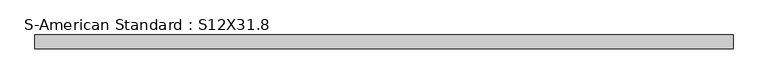
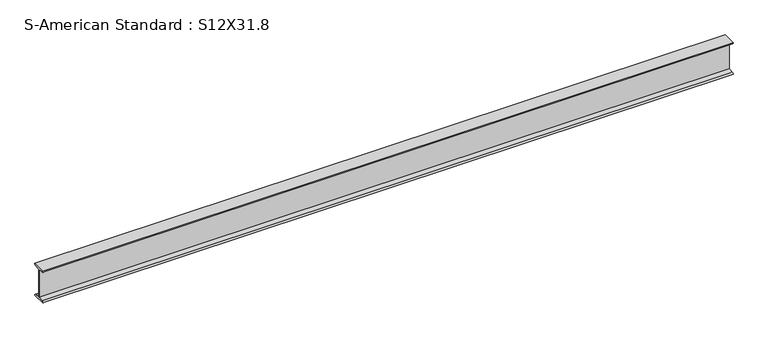
"""IFC4 building model written with IfcOpenShell, lengths in millimetres: beam geometry, S-American Standard : S12X31.8."""

import ifcopenshell
import ifcopenshell.guid

model = None  # the IFC model being written
_history = None  # IfcOwnerHistory: only IFC2X3 demands one
_inside = {}  # id of a spatial element -> (the spatial element, [elements in it])
_under = {}  # id of a project, library or spatial element -> (it, [spatial elements below it])
_declared = {}  # id of a project -> (the project, [libraries it declares])
_typed = {}  # id of a type object -> (the type object, [elements of that type])
_made_of = {}  # id of a material, layer set ... -> (it, [elements and type objects made of it])


def new_model(schema):
    """Start an empty IFC model of exactly this schema.

    Asked for "IFC4X3", IfcOpenShell would pick the latest addendum, in which some entities
    have other attributes; the version numbers below select the first issue.
    IFC2X3 requires an IfcOwnerHistory on every rooted entity: one is made here for all.
    """
    global model, _history
    if schema == "IFC4X3":
        model = ifcopenshell.file(schema_version=(4, 3, 0, 0))
    else:
        model = ifcopenshell.file(schema=schema)
    _inside.clear()
    _under.clear()
    _declared.clear()
    _typed.clear()
    _made_of.clear()
    _history = None
    if model.schema == "IFC2X3":
        org = make("IfcOrganization", Name="unknown")
        user = make(
            "IfcPersonAndOrganization",
            ThePerson=make("IfcPerson", FamilyName="unknown"),
            TheOrganization=org,
        )
        app = make(
            "IfcApplication",
            ApplicationDeveloper=org,
            Version="unknown",
            ApplicationFullName="unknown",
            ApplicationIdentifier="unknown",
        )
        _history = make(
            "IfcOwnerHistory",
            OwningUser=user,
            OwningApplication=app,
            ChangeAction="ADDED",
            CreationDate=0,
        )
    return model


def make(cls, **values):
    """One entity of the class cls with the attributes given. An attribute that is None is left unset."""
    return model.create_entity(
        cls, **{name: value for name, value in values.items() if value is not None}
    )


def rooted(cls, **values):
    """An entity with a GlobalId (a new one), such as an element, a storey or a relation."""
    return make(cls, GlobalId=ifcopenshell.guid.new(), OwnerHistory=_history, **values)


def si_unit(unit_type, name, prefix=None):
    """IfcSIUnit, for example si_unit("LENGTHUNIT", "METRE", prefix="MILLI")."""
    return make("IfcSIUnit", UnitType=unit_type, Prefix=prefix, Name=name)


def assignment(units):
    """IfcUnitAssignment: the units of a project."""
    return None if units is None else make("IfcUnitAssignment", Units=units)


def point(xyz):
    """IfcCartesianPoint."""
    return None if xyz is None else make("IfcCartesianPoint", Coordinates=xyz)


def direction(xyz):
    """IfcDirection."""
    return None if xyz is None else make("IfcDirection", DirectionRatios=xyz)


def frame(location, z_axis=None, x_axis=None):
    """IfcAxis2Placement3D, a coordinate frame: its origin and axes. An axis left out is left unset."""
    return make(
        "IfcAxis2Placement3D",
        Location=point(location),
        Axis=direction(z_axis),
        RefDirection=direction(x_axis),
    )


def frame_2d(location, x_axis=None):
    """IfcAxis2Placement2D, a coordinate frame in the plane: its origin and x axis."""
    return make(
        "IfcAxis2Placement2D", Location=point(location), RefDirection=direction(x_axis)
    )


def origin():
    """The frame at (0, 0, 0) with its axes left unset."""
    return frame((0.0, 0.0, 0.0))


def place(relative_to, where):
    """IfcLocalPlacement: puts the frame where relative to a parent placement (None: the world)."""
    return make(
        "IfcLocalPlacement", PlacementRelTo=relative_to, RelativePlacement=where
    )


def context(
    kind, dimensions, precision=None, world=None, true_north=None, identifier=None
):
    """IfcGeometricRepresentationContext, for example the 3D "Model" context."""
    return make(
        "IfcGeometricRepresentationContext",
        ContextIdentifier=identifier,
        ContextType=kind,
        CoordinateSpaceDimension=dimensions,
        Precision=precision,
        WorldCoordinateSystem=world,
        TrueNorth=true_north,
    )


def project(units=None, contexts=None):
    """IfcProject with its units and contexts."""
    return rooted(
        "IfcProject",
        Name="project",
        RepresentationContexts=contexts,
        UnitsInContext=assignment(units),
    )


def spatial(cls, under=None, at=None, **own):
    """A site, building, storey or space (cls), placed at a placement, below another one or the project."""
    s = rooted(cls, ObjectPlacement=at, **own)
    if under is not None:
        _under.setdefault(under.id(), (under, []))[1].append(s)
    return s


def polyline(points):
    """IfcPolyline through the points."""
    return make("IfcPolyline", Points=[point(p) for p in points])


def circle_curve(where, radius):
    """IfcCircle in the frame where."""
    return make("IfcCircle", Position=where, Radius=radius)


def trimmed(basis, trim1, trim2, sense, master):
    """IfcTrimmedCurve: the piece of a basis curve between two trims."""
    return make(
        "IfcTrimmedCurve",
        BasisCurve=basis,
        Trim1=trim1,
        Trim2=trim2,
        SenseAgreement=sense,
        MasterRepresentation=master,
    )


def segment(curve, same_sense, transition):
    """IfcCompositeCurveSegment."""
    return make(
        "IfcCompositeCurveSegment",
        Transition=transition,
        SameSense=same_sense,
        ParentCurve=curve,
    )


def composite_curve(segments, self_intersect=None):
    """IfcCompositeCurve: segments joined end to end."""
    return make("IfcCompositeCurve", Segments=segments, SelfIntersect=self_intersect)


def outline(outer, holes=None, kind="AREA"):
    """IfcArbitraryClosedProfileDef: a profile drawn as a closed curve; with holes, ...WithVoids."""
    if holes is None:
        return make("IfcArbitraryClosedProfileDef", ProfileType=kind, OuterCurve=outer)
    return make(
        "IfcArbitraryProfileDefWithVoids",
        ProfileType=kind,
        OuterCurve=outer,
        InnerCurves=holes,
    )


def extrude(swept, where, along, depth):
    """IfcExtrudedAreaSolid: the profile swept, set in the frame where, extruded along a direction by depth."""
    return make(
        "IfcExtrudedAreaSolid",
        SweptArea=swept,
        Position=where,
        ExtrudedDirection=direction(along),
        Depth=depth,
    )


def shape(context_of_items, identifier, shape_type, items):
    """IfcShapeRepresentation: the items that make up one representation, for example the "Body"."""
    return make(
        "IfcShapeRepresentation",
        ContextOfItems=context_of_items,
        RepresentationIdentifier=identifier,
        RepresentationType=shape_type,
        Items=items,
    )


def source(mapping_origin, context_of_items, identifier, shape_type, items):
    """IfcRepresentationMap: a shape defined once, which mapped items show again and again."""
    return make(
        "IfcRepresentationMap",
        MappingOrigin=mapping_origin,
        MappedRepresentation=shape(context_of_items, identifier, shape_type, items),
    )


def transform(
    local_origin,
    x_axis=None,
    y_axis=None,
    z_axis=None,
    scale=None,
    scale2=None,
    scale3=None,
    uniform=True,
):
    """IfcCartesianTransformationOperator3D, or its non-uniform kind. x_axis, y_axis, z_axis: its Axis1, 2, 3."""
    if uniform:
        return make(
            "IfcCartesianTransformationOperator3D",
            Axis1=direction(x_axis),
            Axis2=direction(y_axis),
            LocalOrigin=point(local_origin),
            Scale=scale,
            Axis3=direction(z_axis),
        )
    return make(
        "IfcCartesianTransformationOperator3DnonUniform",
        Axis1=direction(x_axis),
        Axis2=direction(y_axis),
        LocalOrigin=point(local_origin),
        Scale=scale,
        Axis3=direction(z_axis),
        Scale2=scale2,
        Scale3=scale3,
    )


def mapped(mapping_source, mapping_target):
    """IfcMappedItem: shows the shape of a source again, moved by a transform."""
    return make(
        "IfcMappedItem", MappingSource=mapping_source, MappingTarget=mapping_target
    )


def made_of(thing, what):
    """Note that an element or type object is made of a material, layer set ...; save() writes the relation."""
    if what is not None:
        _made_of.setdefault(what.id(), (what, []))[1].append(thing)
    return thing


def element(
    cls,
    number,
    at=None,
    inside=None,
    cuts=None,
    type_object=None,
    material=None,
    context=None,
    identifier="Body",
    shape_type=None,
    held_by="IfcProductDefinitionShape",
    body=None,
    shapes=None,
    **own,
):
    """One element of the class cls, such as IfcWall. Its Tag is "e" and its number.

    at: its placement. inside: the storey or other place that contains it. cuts: it is an
    opening in that element (IfcRelVoidsElement). A single representation is given by context,
    identifier, shape_type and body (its items); several are given by shapes. held_by: the class
    of the entity that holds the representations. save() writes the other relations.
    """
    e = rooted(cls, Tag="e%d" % number, ObjectPlacement=at, **own)
    if body is not None:
        shapes = [shape(context, identifier, shape_type, body)]
    if shapes is not None:
        e.Representation = make(held_by, Representations=shapes)
    if inside is not None:
        _inside.setdefault(inside.id(), (inside, []))[1].append(e)
    if cuts is not None:
        rooted(
            "IfcRelVoidsElement", RelatingBuildingElement=cuts, RelatedOpeningElement=e
        )
    if type_object is not None:
        _typed.setdefault(type_object.id(), (type_object, []))[1].append(e)
    return made_of(e, material)


def aggregate(whole, parts):
    """IfcRelAggregates: a whole, such as a stair, and the parts it consists of."""
    return rooted("IfcRelAggregates", RelatingObject=whole, RelatedObjects=parts)


def save(model, path):
    """Write the relations noted so far, then the file.

    IfcRelAggregates (storeys below a building ...), IfcRelContainedInSpatialStructure (elements
    in a storey), IfcRelDefinesByType, IfcRelAssociatesMaterial and IfcRelDeclares: one each for
    every whole, place, type object, material and project.
    """
    for whole, parts in _under.values():
        aggregate(whole, parts)
    for where, things in _inside.values():
        rooted(
            "IfcRelContainedInSpatialStructure",
            RelatedElements=things,
            RelatingStructure=where,
        )
    for kind, things in _typed.values():
        rooted("IfcRelDefinesByType", RelatedObjects=things, RelatingType=kind)
    for what, things in _made_of.values():
        rooted("IfcRelAssociatesMaterial", RelatedObjects=things, RelatingMaterial=what)
    for by, libraries in _declared.values():
        rooted("IfcRelDeclares", RelatingContext=by, RelatedDefinitions=libraries)
    model.write(path)


def s_american_standard_s12x31_8_de53616f(model_context):
    return source(origin(), model_context, "Body", "SweptSolid", [
        extrude(outline(composite_curve([segment(trimmed(circle_curve(frame_2d((49.7, 152.4)), 13.8), [point((63.5, 152.4))], [point((49.7, 138.6))], False, "CARTESIAN"), True, "CONTINUOUS"), segment(polyline([(49.7, 138.6), (4.45, 131.4331041), (4.45, -131.4331041), (49.7, -138.6)]), True, "CONTINUOUS"), segment(trimmed(circle_curve(frame_2d((49.7, -152.4)), 13.8), [point((49.7, -138.6))], [point((63.5, -152.4))], False, "CARTESIAN"), True, "CONTINUOUS"), segment(polyline([(63.5, -152.4), (-63.5, -152.4)]), True, "CONTINUOUS"), segment(trimmed(circle_curve(frame_2d((-49.7, -152.4)), 13.8), [point((-63.5, -152.4))], [point((-49.7, -138.6))], False, "CARTESIAN"), True, "CONTINUOUS"), segment(polyline([(-49.7, -138.6), (-4.45, -131.4331041), (-4.45, 131.4331041), (-49.7, 138.6)]), True, "CONTINUOUS"), segment(trimmed(circle_curve(frame_2d((-49.7, 152.4)), 13.8), [point((-49.7, 138.6))], [point((-63.5, 152.4))], False, "CARTESIAN"), True, "CONTINUOUS"), segment(polyline([(-63.5, 152.4), (63.5, 152.4)]), True, "CONTINUOUS")], self_intersect=False)), frame((-6589.6153061, 0.0, 0.0), z_axis=(1.0, 0.0, 0.0), x_axis=(0.0, 1.0, 0.0)), (0.0, 0.0, 1.0), 6304.6524061),
    ])


if __name__ == "__main__":
    model = new_model("IFC4")
    model_context = context("Model", 3, world=origin())
    ifc_project = project(units=[si_unit("LENGTHUNIT", "METRE", prefix="MILLI")], contexts=[model_context])
    site = spatial("IfcSite", under=ifc_project)
    building = spatial("IfcBuilding", under=site)
    placement = place(None, origin())
    s_american_standard_s12x31_8_shape = s_american_standard_s12x31_8_de53616f(model_context)
    element("IfcBeam", 1, ObjectType="S-American Standard : S12X31.8", at=placement, inside=building, context=model_context, shape_type="MappedRepresentation", body=[
        mapped(s_american_standard_s12x31_8_shape, transform((0.0, 0.0, 0.0), x_axis=(1.0, 0.0, 0.0), y_axis=(0.0, 1.0, 0.0), z_axis=(0.0, 0.0, 1.0))),
    ])
    save(model, "model.ifc")
